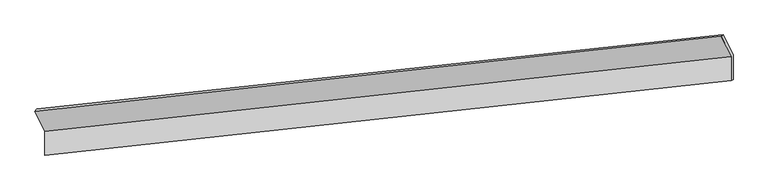
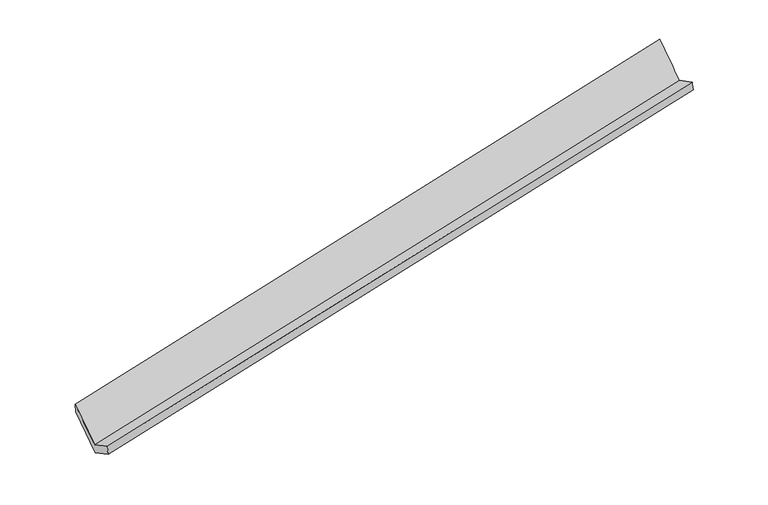
"""IFC4 building model written with IfcOpenShell, lengths in millimetres: proxy geometry."""

from ifc_helpers import new_model, si_unit, frame, origin, place, context, project, spatial, source, transform, mapped, element, save
from ifc_brep_helpers import plane_surface, spline_surface, advanced_brep


def generic_models_30d89ec1(model_context):
    return source(origin(), model_context, "Body", "AdvancedBrep", [
        advanced_brep(
        [(-8494.8339879, -2118.6752826, 594.8104866), (-8493.5457918, -2513.9937538, 801.4250755), (2850.2278742, -1275.7230895, 3079.7808468), (2848.9396781, -880.4046183, 2873.166258), (-8459.5349181, -2482.3642963, 616.4229687), (2881.4807946, -1257.3722425, 2912.5675967), (-8460.8334248, -2083.8817353, 408.1546572), (2880.1678481, -854.4584386, 2701.9832805), (-8627.9729531, -1747.6858548, 1052.4448341), (2717.1196872, -520.1956805, 3342.5492794), (-8658.4224685, -1789.6222224, 1225.4120693), (2684.9764998, -544.2659957, 3517.3270786)],
        [
            (0, 1),
            (1, 2),
            (2, 3),
            (3, 0),
            (1, 4),
            (4, 5),
            (5, 2),
            (4, 6),
            (6, 7),
            (7, 5),
            (6, 8),
            (8, 9),
            (9, 7),
            (8, 10),
            (10, 11),
            (11, 9),
            (10, 0),
            (3, 11),
        ],
        [
            plane_surface(frame((-8494.1898899, -2316.3345182, 698.1177811), z_axis=(-0.2228148071292107, 0.4509879300762406, 0.8642704719296621), x_axis=(0.002887955093831024, -0.8862485830170281, 0.46320093783981686))),
            spline_surface(1, 1, [[(-8493.5457918, -2513.9937538, 801.4250755), (2850.2278742, -1275.7230895, 3079.7808468)], [(-8459.5349181, -2482.3642963, 616.4229687), (2881.4807946, -1257.3722425, 2912.5675967)]], [2, 2], [2, 2], [0.0, 1.0], [0.0, 1.0]),
            plane_surface(frame((-8460.1841714, -2283.1230158, 512.2888129), z_axis=(0.22365256786782067, -0.45089691592670317, -0.8641015565857509), x_axis=(-0.002887955093820586, 0.8862485830170076, -0.4632009378398562))),
            spline_surface(1, 1, [[(-8460.8334248, -2083.8817353, 408.1546572), (2880.1678481, -854.4584386, 2701.9832805)], [(-8627.9729531, -1747.6858548, 1052.4448341), (2717.1196872, -520.1956805, 3342.5492794)]], [2, 2], [2, 2], [0.0, 1.0], [0.0, 1.0]),
            spline_surface(1, 1, [[(-8627.9729531, -1747.6858548, 1052.4448341), (2717.1196872, -520.1956805, 3342.5492794)], [(-8658.4224685, -1789.6222224, 1225.4120693), (2684.9764998, -544.2659957, 3517.3270786)]], [2, 2], [2, 2], [0.0, 1.0], [0.0, 1.0]),
            spline_surface(1, 1, [[(-8658.4224685, -1789.6222224, 1225.4120693), (2684.9764998, -544.2659957, 3517.3270786)], [(-8494.8339879, -2118.6752826, 594.8104866), (2848.9396781, -880.4046183, 2873.166258)]], [2, 2], [2, 2], [0.0, 1.0], [0.0, 1.0]),
            plane_surface(frame((2810.485397, -888.7366775, 3071.2290567), z_axis=(0.9754671268045426, 0.10446018938238513, 0.19378326387458442), x_axis=(-0.17923877888051848, -0.13422234182666873, 0.9746064965410325))),
            plane_surface(frame((-8532.523924, -2122.7038575, 783.1116819), z_axis=(-0.9745534067033434, -0.10631559207857659, -0.1973389276445209), x_axis=(-0.2241368269568485, 0.45084414599866307, 0.8640036104209587))),
        ],
        [
            (0, [[1, 2, 3, 4]]),
            (1, [[5, 6, 7, -2]]),
            (2, [[8, 9, 10, -6]]),
            (3, [[11, 12, 13, -9]]),
            (4, [[14, 15, 16, -12]]),
            (5, [[17, -4, 18, -15]]),
            (6, [[-16, -18, -3, -7, -10, -13]]),
            (7, [[-17, -14, -11, -8, -5, -1]]),
        ],
    ),
    ])


if __name__ == "__main__":
    model = new_model("IFC4")
    model_context = context("Model", 3, world=origin())
    ifc_project = project(units=[si_unit("LENGTHUNIT", "METRE", prefix="MILLI")], contexts=[model_context])
    site = spatial("IfcSite", under=ifc_project)
    building = spatial("IfcBuilding", under=site)
    placement = place(None, origin())
    generic_models_shape = generic_models_30d89ec1(model_context)
    element("IfcBuildingElementProxy", 1, Name="Generic Models", at=placement, inside=building, context=model_context, shape_type="MappedRepresentation", body=[
        mapped(generic_models_shape, transform((0.0, 0.0, 0.0), x_axis=(1.0, 0.0, 0.0), y_axis=(0.0, 1.0, 0.0), z_axis=(0.0, 0.0, 1.0))),
    ])
    save(model, "model.ifc")
